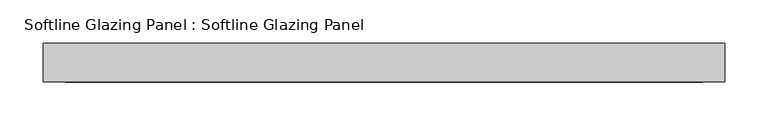
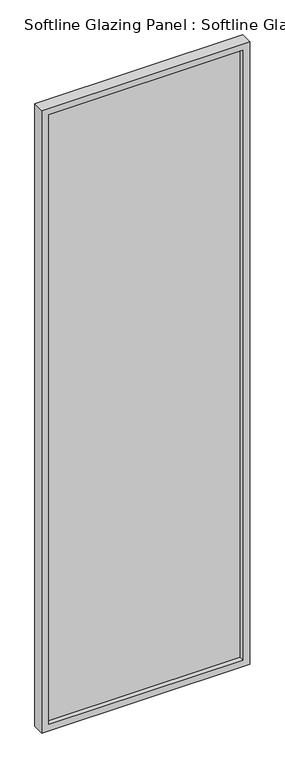
"""IFC4 building model written with IfcOpenShell, lengths in millimetres: plate geometry, Softline Glazing Panel : Softline Glazing Panel."""

import ifcopenshell
import ifcopenshell.guid

model = None  # the IFC model being written
_history = None  # IfcOwnerHistory: only IFC2X3 demands one
_inside = {}  # id of a spatial element -> (the spatial element, [elements in it])
_under = {}  # id of a project, library or spatial element -> (it, [spatial elements below it])
_declared = {}  # id of a project -> (the project, [libraries it declares])
_typed = {}  # id of a type object -> (the type object, [elements of that type])
_made_of = {}  # id of a material, layer set ... -> (it, [elements and type objects made of it])


def new_model(schema):
    """Start an empty IFC model of exactly this schema.

    Asked for "IFC4X3", IfcOpenShell would pick the latest addendum, in which some entities
    have other attributes; the version numbers below select the first issue.
    IFC2X3 requires an IfcOwnerHistory on every rooted entity: one is made here for all.
    """
    global model, _history
    if schema == "IFC4X3":
        model = ifcopenshell.file(schema_version=(4, 3, 0, 0))
    else:
        model = ifcopenshell.file(schema=schema)
    _inside.clear()
    _under.clear()
    _declared.clear()
    _typed.clear()
    _made_of.clear()
    _history = None
    if model.schema == "IFC2X3":
        org = make("IfcOrganization", Name="unknown")
        user = make(
            "IfcPersonAndOrganization",
            ThePerson=make("IfcPerson", FamilyName="unknown"),
            TheOrganization=org,
        )
        app = make(
            "IfcApplication",
            ApplicationDeveloper=org,
            Version="unknown",
            ApplicationFullName="unknown",
            ApplicationIdentifier="unknown",
        )
        _history = make(
            "IfcOwnerHistory",
            OwningUser=user,
            OwningApplication=app,
            ChangeAction="ADDED",
            CreationDate=0,
        )
    return model


def make(cls, **values):
    """One entity of the class cls with the attributes given. An attribute that is None is left unset."""
    return model.create_entity(
        cls, **{name: value for name, value in values.items() if value is not None}
    )


def rooted(cls, **values):
    """An entity with a GlobalId (a new one), such as an element, a storey or a relation."""
    return make(cls, GlobalId=ifcopenshell.guid.new(), OwnerHistory=_history, **values)


def si_unit(unit_type, name, prefix=None):
    """IfcSIUnit, for example si_unit("LENGTHUNIT", "METRE", prefix="MILLI")."""
    return make("IfcSIUnit", UnitType=unit_type, Prefix=prefix, Name=name)


def assignment(units):
    """IfcUnitAssignment: the units of a project."""
    return None if units is None else make("IfcUnitAssignment", Units=units)


def point(xyz):
    """IfcCartesianPoint."""
    return None if xyz is None else make("IfcCartesianPoint", Coordinates=xyz)


def direction(xyz):
    """IfcDirection."""
    return None if xyz is None else make("IfcDirection", DirectionRatios=xyz)


def frame(location, z_axis=None, x_axis=None):
    """IfcAxis2Placement3D, a coordinate frame: its origin and axes. An axis left out is left unset."""
    return make(
        "IfcAxis2Placement3D",
        Location=point(location),
        Axis=direction(z_axis),
        RefDirection=direction(x_axis),
    )


def origin():
    """The frame at (0, 0, 0) with its axes left unset."""
    return frame((0.0, 0.0, 0.0))


def place(relative_to, where):
    """IfcLocalPlacement: puts the frame where relative to a parent placement (None: the world)."""
    return make(
        "IfcLocalPlacement", PlacementRelTo=relative_to, RelativePlacement=where
    )


def context(
    kind, dimensions, precision=None, world=None, true_north=None, identifier=None
):
    """IfcGeometricRepresentationContext, for example the 3D "Model" context."""
    return make(
        "IfcGeometricRepresentationContext",
        ContextIdentifier=identifier,
        ContextType=kind,
        CoordinateSpaceDimension=dimensions,
        Precision=precision,
        WorldCoordinateSystem=world,
        TrueNorth=true_north,
    )


def project(units=None, contexts=None):
    """IfcProject with its units and contexts."""
    return rooted(
        "IfcProject",
        Name="project",
        RepresentationContexts=contexts,
        UnitsInContext=assignment(units),
    )


def spatial(cls, under=None, at=None, **own):
    """A site, building, storey or space (cls), placed at a placement, below another one or the project."""
    s = rooted(cls, ObjectPlacement=at, **own)
    if under is not None:
        _under.setdefault(under.id(), (under, []))[1].append(s)
    return s


def polyline(points):
    """IfcPolyline through the points."""
    return make("IfcPolyline", Points=[point(p) for p in points])


def outline(outer, holes=None, kind="AREA"):
    """IfcArbitraryClosedProfileDef: a profile drawn as a closed curve; with holes, ...WithVoids."""
    if holes is None:
        return make("IfcArbitraryClosedProfileDef", ProfileType=kind, OuterCurve=outer)
    return make(
        "IfcArbitraryProfileDefWithVoids",
        ProfileType=kind,
        OuterCurve=outer,
        InnerCurves=holes,
    )


def extrude(swept, where, along, depth):
    """IfcExtrudedAreaSolid: the profile swept, set in the frame where, extruded along a direction by depth."""
    return make(
        "IfcExtrudedAreaSolid",
        SweptArea=swept,
        Position=where,
        ExtrudedDirection=direction(along),
        Depth=depth,
    )


def faces_of(points, faces, orient=None, outer=None):
    """IfcFace entities. A face is a list of loops; a loop is a list of indices into points, from 0.

    orient and outer hold one flag for each loop. By default every Orientation is true, the
    first loop of a face is its IfcFaceOuterBound and the others are IfcFaceBound.
    """
    made = []
    for i, loops in enumerate(faces):
        bounds = []
        for j, loop in enumerate(loops):
            is_outer = j == 0 if outer is None else outer[i][j]
            bounds.append(
                make(
                    "IfcFaceOuterBound" if is_outer else "IfcFaceBound",
                    Bound=make("IfcPolyLoop", Polygon=[points[k] for k in loop]),
                    Orientation=True if orient is None else orient[i][j],
                )
            )
        made.append(make("IfcFace", Bounds=bounds))
    return made


def faceted_brep(points, faces, orient=None, outer=None, voids=None):
    """IfcFacetedBrep: a solid bounded by flat faces; with voids (closed shells), ...WithVoids."""
    shared = [point(p) for p in points]
    hull = make("IfcClosedShell", CfsFaces=faces_of(shared, faces, orient, outer))
    if voids is None:
        return make("IfcFacetedBrep", Outer=hull)
    return make(
        "IfcFacetedBrepWithVoids",
        Outer=hull,
        Voids=[
            make(cls, CfsFaces=faces_of(shared, fs, o, b)) for cls, fs, o, b in voids
        ],
    )


def shape(context_of_items, identifier, shape_type, items):
    """IfcShapeRepresentation: the items that make up one representation, for example the "Body"."""
    return make(
        "IfcShapeRepresentation",
        ContextOfItems=context_of_items,
        RepresentationIdentifier=identifier,
        RepresentationType=shape_type,
        Items=items,
    )


def source(mapping_origin, context_of_items, identifier, shape_type, items):
    """IfcRepresentationMap: a shape defined once, which mapped items show again and again."""
    return make(
        "IfcRepresentationMap",
        MappingOrigin=mapping_origin,
        MappedRepresentation=shape(context_of_items, identifier, shape_type, items),
    )


def transform(
    local_origin,
    x_axis=None,
    y_axis=None,
    z_axis=None,
    scale=None,
    scale2=None,
    scale3=None,
    uniform=True,
):
    """IfcCartesianTransformationOperator3D, or its non-uniform kind. x_axis, y_axis, z_axis: its Axis1, 2, 3."""
    if uniform:
        return make(
            "IfcCartesianTransformationOperator3D",
            Axis1=direction(x_axis),
            Axis2=direction(y_axis),
            LocalOrigin=point(local_origin),
            Scale=scale,
            Axis3=direction(z_axis),
        )
    return make(
        "IfcCartesianTransformationOperator3DnonUniform",
        Axis1=direction(x_axis),
        Axis2=direction(y_axis),
        LocalOrigin=point(local_origin),
        Scale=scale,
        Axis3=direction(z_axis),
        Scale2=scale2,
        Scale3=scale3,
    )


def mapped(mapping_source, mapping_target):
    """IfcMappedItem: shows the shape of a source again, moved by a transform."""
    return make(
        "IfcMappedItem", MappingSource=mapping_source, MappingTarget=mapping_target
    )


def made_of(thing, what):
    """Note that an element or type object is made of a material, layer set ...; save() writes the relation."""
    if what is not None:
        _made_of.setdefault(what.id(), (what, []))[1].append(thing)
    return thing


def element(
    cls,
    number,
    at=None,
    inside=None,
    cuts=None,
    type_object=None,
    material=None,
    context=None,
    identifier="Body",
    shape_type=None,
    held_by="IfcProductDefinitionShape",
    body=None,
    shapes=None,
    **own,
):
    """One element of the class cls, such as IfcWall. Its Tag is "e" and its number.

    at: its placement. inside: the storey or other place that contains it. cuts: it is an
    opening in that element (IfcRelVoidsElement). A single representation is given by context,
    identifier, shape_type and body (its items); several are given by shapes. held_by: the class
    of the entity that holds the representations. save() writes the other relations.
    """
    e = rooted(cls, Tag="e%d" % number, ObjectPlacement=at, **own)
    if body is not None:
        shapes = [shape(context, identifier, shape_type, body)]
    if shapes is not None:
        e.Representation = make(held_by, Representations=shapes)
    if inside is not None:
        _inside.setdefault(inside.id(), (inside, []))[1].append(e)
    if cuts is not None:
        rooted(
            "IfcRelVoidsElement", RelatingBuildingElement=cuts, RelatedOpeningElement=e
        )
    if type_object is not None:
        _typed.setdefault(type_object.id(), (type_object, []))[1].append(e)
    return made_of(e, material)


def aggregate(whole, parts):
    """IfcRelAggregates: a whole, such as a stair, and the parts it consists of."""
    return rooted("IfcRelAggregates", RelatingObject=whole, RelatedObjects=parts)


def save(model, path):
    """Write the relations noted so far, then the file.

    IfcRelAggregates (storeys below a building ...), IfcRelContainedInSpatialStructure (elements
    in a storey), IfcRelDefinesByType, IfcRelAssociatesMaterial and IfcRelDeclares: one each for
    every whole, place, type object, material and project.
    """
    for whole, parts in _under.values():
        aggregate(whole, parts)
    for where, things in _inside.values():
        rooted(
            "IfcRelContainedInSpatialStructure",
            RelatedElements=things,
            RelatingStructure=where,
        )
    for kind, things in _typed.values():
        rooted("IfcRelDefinesByType", RelatedObjects=things, RelatingType=kind)
    for what, things in _made_of.values():
        rooted("IfcRelAssociatesMaterial", RelatedObjects=things, RelatingMaterial=what)
    for by, libraries in _declared.values():
        rooted("IfcRelDeclares", RelatingContext=by, RelatedDefinitions=libraries)
    model.write(path)


def softline_glazing_panel_softline_glazing_panel_af78deb2(model_context):
    return source(origin(), model_context, "Body", "SolidModel", [
        extrude(outline(polyline([(379.0, 4.0), (379.0, -4.0), (-379.0, -4.0), (-379.0, 4.0), (379.0, 4.0)])), frame((0.0, 0.0, 16.0), z_axis=(0.0, 0.0, 1.0), x_axis=(1.0, 0.0, 0.0)), (0.0, 0.0, 1.0), 2468.0),
        faceted_brep([(369.0, 4.0, 26.0), (369.0, 22.5, 26.0), (-369.0, 22.5, 26.0), (-369.0, 4.0, 26.0), (379.0, -4.0, 16.0), (379.0, 4.0, 16.0), (-379.0, 4.0, 16.0), (-379.0, -4.0, 16.0), (369.0, -22.5, 26.0), (369.0, -4.0, 26.0), (-369.0, -4.0, 26.0), (-369.0, -22.5, 26.0), (395.0, 22.5, 0.0), (395.0, -22.5, 0.0), (-395.0, -22.5, 0.0), (-395.0, 22.5, 0.0), (-369.0, 22.5, 2474.0), (-369.0, 4.0, 2474.0), (-379.0, 4.0, 2484.0), (-379.0, -4.0, 2484.0), (-369.0, -4.0, 2474.0), (-369.0, -22.5, 2474.0), (-395.0, -22.5, 2500.0), (-395.0, 22.5, 2500.0), (369.0, 22.5, 2474.0), (369.0, 4.0, 2474.0), (379.0, 4.0, 2484.0), (379.0, -4.0, 2484.0), (369.0, -4.0, 2474.0), (369.0, -22.5, 2474.0), (395.0, -22.5, 2500.0), (395.0, 22.5, 2500.0)], [[[0, 1, 2, 3]], [[4, 5, 6, 7]], [[8, 9, 10, 11]], [[12, 13, 14, 15]], [[3, 2, 16, 17]], [[7, 6, 18, 19]], [[11, 10, 20, 21]], [[15, 14, 22, 23]], [[17, 16, 24, 25]], [[19, 18, 26, 27]], [[21, 20, 28, 29]], [[23, 22, 30, 31]], [[15, 23, 31, 12], [1, 24, 16, 2]], [[25, 24, 1, 0]], [[5, 26, 18, 6], [3, 17, 25, 0]], [[27, 26, 5, 4]], [[7, 19, 27, 4], [9, 28, 20, 10]], [[29, 28, 9, 8]], [[13, 30, 22, 14], [11, 21, 29, 8]], [[31, 30, 13, 12]]]),
    ])


if __name__ == "__main__":
    model = new_model("IFC4")
    model_context = context("Model", 3, world=origin())
    ifc_project = project(units=[si_unit("LENGTHUNIT", "METRE", prefix="MILLI")], contexts=[model_context])
    site = spatial("IfcSite", under=ifc_project)
    building = spatial("IfcBuilding", under=site)
    placement = place(None, origin())
    softline_glazing_panel_softline_glazing_panel_shape = softline_glazing_panel_softline_glazing_panel_af78deb2(model_context)
    element("IfcPlate", 1, ObjectType="Softline Glazing Panel : Softline Glazing Panel", at=placement, inside=building, context=model_context, shape_type="MappedRepresentation", body=[
        mapped(softline_glazing_panel_softline_glazing_panel_shape, transform((0.0, 0.0, 0.0), x_axis=(1.0, 0.0, 0.0), y_axis=(0.0, 1.0, 0.0), z_axis=(0.0, 0.0, 1.0))),
    ])
    save(model, "model.ifc")
